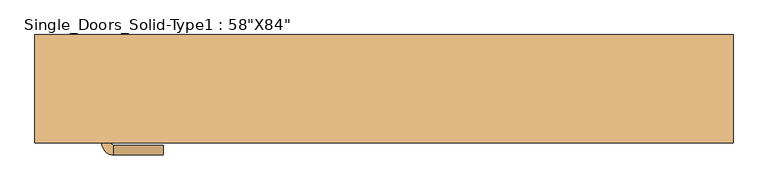
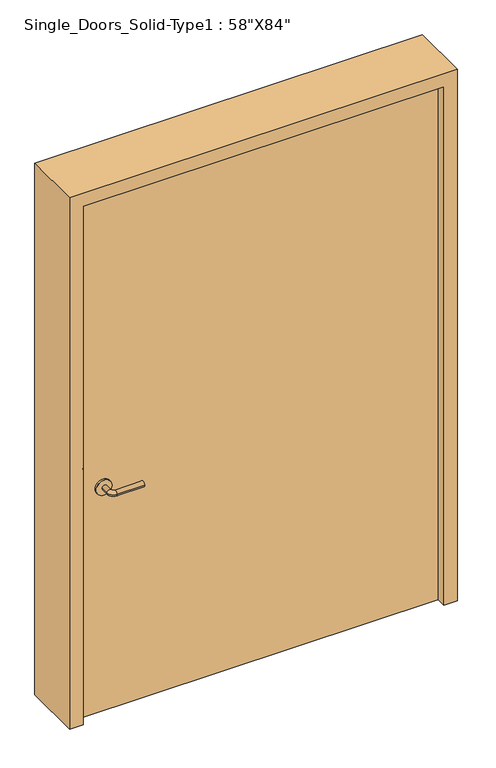
"""IFC4 building model written with IfcOpenShell, lengths in millimetres: door geometry."""

from ifc_helpers import new_model, si_unit, point, frame, frame_2d, origin, origin_with_axes, place, context, project, spatial, polyline, circle_curve, ellipse_curve, trimmed, segment, composite_curve, outline, extrude, faceted_brep, source, transform, mapped, element, save
from ifc_brep_helpers import plane_surface, cylinder_surface, revolved_surface, advanced_brep


def door_a3166f85(model_context):
    return source(origin(), model_context, "Body", "SolidModel", [
        advanced_brep(
        [(-595.8, 8.0, 900.0), (-575.8, 8.0, 900.0), (-595.8, 38.0, 900.0), (-575.8, 38.0, 900.0), (-570.8, 43.0, 900.0), (-570.8, 63.0, 900.0), (-465.8, 63.0, 900.0), (-465.8, 43.0, 900.0)],
        [
            (0, 1, circle_curve(frame((-585.8, 8.0, 900.0), z_axis=(0.0, -1.0, 0.0), x_axis=(1.0, 0.0, 0.0)), 10.0)),
            (1, 0, circle_curve(frame((-585.8, 8.0, 900.0), z_axis=(0.0, -1.0, 0.0), x_axis=(1.0, 0.0, 0.0)), 10.0)),
            (0, 2),
            (2, 3, circle_curve(frame((-585.8, 38.0, 900.0), z_axis=(0.0, -1.0, 0.0), x_axis=(1.0, 0.0, 0.0)), 10.0)),
            (3, 1),
            (3, 2, circle_curve(frame((-585.8, 38.0, 900.0), z_axis=(0.0, -1.0, 0.0), x_axis=(1.0, 0.0, 0.0)), 10.0)),
            (4, 3, circle_curve(frame((-570.8, 38.0, 900.0), z_axis=(0.0, 0.0, 1.0), x_axis=(-1.0, 0.0, 0.0)), 5.0)),
            (2, 5, circle_curve(frame((-570.8, 38.0, 900.0), z_axis=(0.0, 0.0, -1.0), x_axis=(-1.0, 0.0, 0.0)), 25.0)),
            (5, 4, circle_curve(frame((-570.8, 53.0, 900.0), z_axis=(-1.0, 0.0, 0.0), x_axis=(0.0, -1.0, 0.0)), 10.0)),
            (4, 5, circle_curve(frame((-570.8, 53.0, 900.0), z_axis=(-1.0, 0.0, 0.0), x_axis=(0.0, -1.0, 0.0)), 10.0)),
            (6, 7, circle_curve(frame((-465.8, 53.0, 900.0), z_axis=(1.0, 0.0, 0.0), x_axis=(0.0, -1.0, 0.0)), 10.0)),
            (7, 6, circle_curve(frame((-465.8, 53.0, 900.0), z_axis=(1.0, 0.0, 0.0), x_axis=(0.0, -1.0, 0.0)), 10.0)),
            (5, 6),
            (7, 4),
        ],
        [
            plane_surface(frame((-585.8, 8.0, 900.0), z_axis=(0.0, -1.0, 0.0), x_axis=(0.0, 0.0, 1.0))),
            cylinder_surface(frame((-585.8, 8.0, 900.0), z_axis=(0.0, -1.0, 0.0), x_axis=(1.0, 0.0, 0.0)), 10.0),
            revolved_surface(trimmed(ellipse_curve(frame((-585.8, 38.0, 900.0), z_axis=(0.0, -1.0, 0.0), x_axis=(1.0, 0.0, 0.0)), 10.0, 10.0), [point((-595.8, 38.0, 900.0))], [point((-575.8, 38.0, 900.0))], True, "CARTESIAN"), (-570.8, 38.0, 900.0), (0.0, 0.0, -1.0)),
            revolved_surface(trimmed(ellipse_curve(frame((-585.8, 38.0, 900.0), z_axis=(0.0, -1.0, 0.0), x_axis=(1.0, 0.0, 0.0)), 10.0, 10.0), [point((-575.8, 38.0, 900.0))], [point((-595.8, 38.0, 900.0))], True, "CARTESIAN"), (-570.8, 38.0, 900.0), (0.0, 0.0, -1.0)),
            plane_surface(frame((-465.8, 53.0, 900.0), z_axis=(1.0, 0.0, 0.0), x_axis=(0.0, 0.0, 1.0))),
            cylinder_surface(frame((-570.8, 53.0, 900.0), z_axis=(-1.0, 0.0, 0.0), x_axis=(0.0, -1.0, 0.0)), 10.0),
        ],
        [
            (0, [[1, 2]]),
            (1, [[-1, 3, 4, 5]]),
            (1, [[-2, -5, 6, -3]]),
            (2, [[7, -4, 8, 9]]),
            (3, [[-8, -6, -7, 10]]),
            (4, [[11, 12]]),
            (5, [[-9, 13, -12, 14]]),
            (5, [[-10, -14, -11, -13]]),
        ],
    ),
        extrude(outline(composite_curve([segment(trimmed(circle_curve(frame_2d((900.0, -588.3)), 30.0), [point((900.0, -618.3))], [point((900.0, -558.3))], False, "CARTESIAN"), True, "CONTINUOUS"), segment(trimmed(circle_curve(frame_2d((900.0, -588.3)), 30.0), [point((900.0, -558.3))], [point((900.0, -618.3))], False, "CARTESIAN"), True, "CONTINUOUS")], self_intersect=False)), frame((0.0, 0.0, 0.0), z_axis=(0.0, 1.0, 0.0), x_axis=(0.0, 0.0, 1.0)), (0.0, 0.0, 1.0), 8.0),
        advanced_brep(
        [(-595.8, -84.2, 900.0), (-575.8, -84.2, 900.0), (-575.8, -114.2, 900.0), (-595.8, -114.2, 900.0), (-570.8, -119.2, 900.0), (-570.8, -139.2, 900.0), (-465.8, -139.2, 900.0), (-465.8, -119.2, 900.0)],
        [
            (0, 1, circle_curve(frame((-585.8, -84.2, 900.0), z_axis=(0.0, 1.0, 0.0), x_axis=(1.0, 0.0, 0.0)), 10.0)),
            (1, 0, circle_curve(frame((-585.8, -84.2, 900.0), z_axis=(0.0, 1.0, 0.0), x_axis=(1.0, 0.0, 0.0)), 10.0)),
            (1, 2),
            (2, 3, circle_curve(frame((-585.8, -114.2, 900.0), z_axis=(0.0, 1.0, 0.0), x_axis=(1.0, 0.0, 0.0)), 10.0)),
            (3, 0),
            (3, 2, circle_curve(frame((-585.8, -114.2, 900.0), z_axis=(0.0, 1.0, 0.0), x_axis=(1.0, 0.0, 0.0)), 10.0)),
            (4, 5, circle_curve(frame((-570.8, -129.2, 900.0), z_axis=(-1.0, 0.0, 0.0), x_axis=(0.0, 1.0, 0.0)), 10.0)),
            (5, 3, circle_curve(frame((-570.8, -114.2, 900.0), z_axis=(0.0, 0.0, -1.0), x_axis=(-1.0, 0.0, 0.0)), 25.0)),
            (2, 4, circle_curve(frame((-570.8, -114.2, 900.0), z_axis=(0.0, 0.0, 1.0), x_axis=(-1.0, 0.0, 0.0)), 5.0)),
            (5, 4, circle_curve(frame((-570.8, -129.2, 900.0), z_axis=(-1.0, 0.0, 0.0), x_axis=(0.0, 1.0, 0.0)), 10.0)),
            (6, 7, circle_curve(frame((-465.8, -129.2, 900.0), z_axis=(1.0, 0.0, 0.0), x_axis=(0.0, 1.0, 0.0)), 10.0)),
            (7, 6, circle_curve(frame((-465.8, -129.2, 900.0), z_axis=(1.0, 0.0, 0.0), x_axis=(0.0, 1.0, 0.0)), 10.0)),
            (4, 7),
            (6, 5),
        ],
        [
            plane_surface(frame((-585.8, -84.2, 900.0), z_axis=(0.0, 1.0, 0.0), x_axis=(0.0, 0.0, 1.0))),
            cylinder_surface(frame((-585.8, -84.2, 900.0), z_axis=(0.0, 1.0, 0.0), x_axis=(1.0, 0.0, 0.0)), 10.0),
            revolved_surface(trimmed(ellipse_curve(frame((-585.8, -114.2, 900.0), z_axis=(0.0, -1.0, 0.0), x_axis=(1.0, 0.0, 0.0)), 10.0, 10.0), [point((-595.8, -114.2, 900.0))], [point((-575.8, -114.2, 900.0))], True, "CARTESIAN"), (-570.8, -114.2, 900.0), (0.0, 0.0, -1.0)),
            revolved_surface(trimmed(ellipse_curve(frame((-585.8, -114.2, 900.0), z_axis=(0.0, -1.0, 0.0), x_axis=(1.0, 0.0, 0.0)), 10.0, 10.0), [point((-575.8, -114.2, 900.0))], [point((-595.8, -114.2, 900.0))], True, "CARTESIAN"), (-570.8, -114.2, 900.0), (0.0, 0.0, -1.0)),
            plane_surface(frame((-465.8, -129.2, 900.0), z_axis=(1.0, 0.0, 0.0), x_axis=(0.0, 0.0, 1.0))),
            cylinder_surface(frame((-570.8, -129.2, 900.0), z_axis=(-1.0, 0.0, 0.0), x_axis=(0.0, 1.0, 0.0)), 10.0),
        ],
        [
            (0, [[1, 2]]),
            (1, [[3, 4, 5, -2]]),
            (1, [[-5, 6, -3, -1]]),
            (2, [[7, 8, -4, 9]]),
            (3, [[10, -9, -6, -8]]),
            (4, [[11, 12]]),
            (5, [[13, -11, 14, -7]]),
            (5, [[-14, -12, -13, -10]]),
        ],
    ),
        extrude(outline(composite_curve([segment(trimmed(circle_curve(frame_2d((900.0, -588.3)), 30.0), [point((900.0, -618.3))], [point((900.0, -558.3))], False, "CARTESIAN"), True, "CONTINUOUS"), segment(trimmed(circle_curve(frame_2d((900.0, -588.3)), 30.0), [point((900.0, -558.3))], [point((900.0, -618.3))], False, "CARTESIAN"), True, "CONTINUOUS")], self_intersect=False)), frame((0.0, -84.2, 0.0), z_axis=(0.0, 1.0, 0.0), x_axis=(0.0, 0.0, 1.0)), (0.0, 0.0, 1.0), 8.0),
        faceted_brep([(-533.4, 114.3, 0.0), (-533.4, 0.0, 0.0), (-685.8, 0.0, 0.0), (-685.8, -114.3, 0.0), (-736.6, -114.3, 0.0), (-736.6, 114.3, 0.0), (-736.6, -114.3, 2133.6), (-736.6, 114.3, 2133.6), (-685.8, -114.3, 2082.8), (685.8, -114.3, 2082.8), (685.8, -114.3, 0.0), (736.6, -114.3, 0.0), (736.6, -114.3, 2133.6), (-685.8, 0.0, 2082.8), (-533.4, 0.0, 1930.4), (533.4, 0.0, 1930.4), (533.4, 0.0, 0.0), (685.8, 0.0, 0.0), (685.8, 0.0, 2082.8), (-533.4, 114.3, 1930.4), (736.6, 114.3, 2133.6), (736.6, 114.3, 0.0), (533.4, 114.3, 0.0), (533.4, 114.3, 1930.4)], [[[0, 1, 2, 3, 4, 5]], [[4, 6, 7, 5]], [[3, 8, 9, 10, 11, 12, 6, 4]], [[2, 13, 8, 3]], [[1, 14, 15, 16, 17, 18, 13, 2]], [[0, 19, 14, 1]], [[0, 5, 7, 20, 21, 22, 23, 19]], [[12, 11, 21, 20]], [[21, 11, 10, 17, 16, 22]], [[18, 17, 10, 9]], [[23, 22, 16, 15]], [[6, 12, 20, 7]], [[13, 18, 9, 8]], [[19, 23, 15, 14]]]),
        extrude(outline(polyline([(685.8, 0.0), (685.8, -76.2), (-685.8, -76.2), (-685.8, 0.0), (685.8, 0.0)])), origin_with_axes(), (0.0, 0.0, 1.0), 2082.8),
    ])


if __name__ == "__main__":
    model = new_model("IFC4")
    model_context = context("Model", 3, world=origin())
    ifc_project = project(units=[si_unit("LENGTHUNIT", "METRE", prefix="MILLI")], contexts=[model_context])
    site = spatial("IfcSite", under=ifc_project)
    building = spatial("IfcBuilding", under=site)
    placement = place(None, origin())
    door_shape = door_a3166f85(model_context)
    element("IfcDoor", 1, ObjectType="Single_Doors_Solid-Type1 : 58\"X84\"", at=placement, inside=building, context=model_context, shape_type="MappedRepresentation", body=[
        mapped(door_shape, transform((0.0, 0.0, 0.0), x_axis=(1.0, 0.0, 0.0), y_axis=(0.0, 1.0, 0.0), z_axis=(0.0, 0.0, 1.0))),
    ])
    save(model, "model.ifc")
